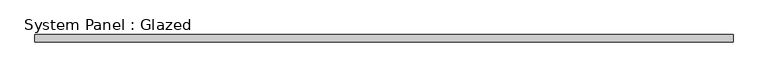
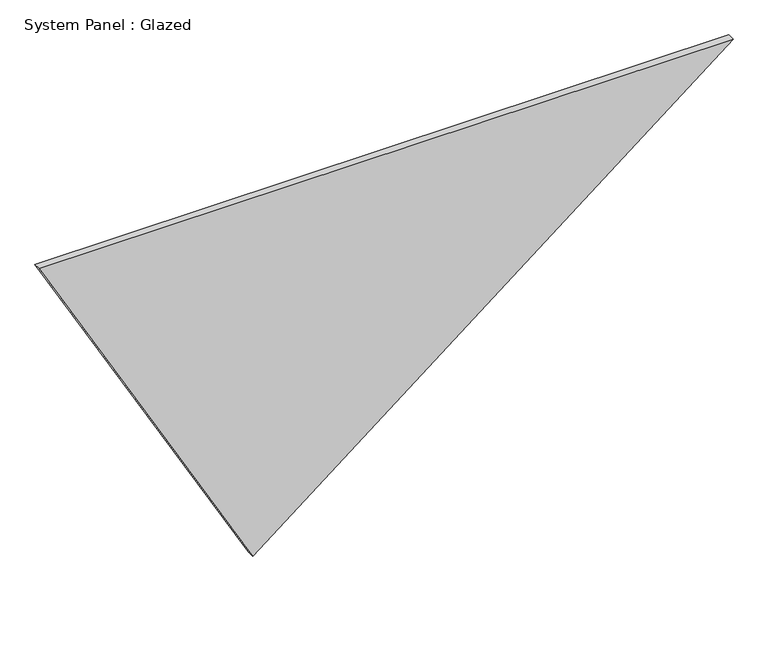
"""IFC4 building model written with IfcOpenShell, lengths in millimetres: plate geometry, System Panel : Glazed."""

import ifcopenshell
import ifcopenshell.guid

model = None  # the IFC model being written
_history = None  # IfcOwnerHistory: only IFC2X3 demands one
_inside = {}  # id of a spatial element -> (the spatial element, [elements in it])
_under = {}  # id of a project, library or spatial element -> (it, [spatial elements below it])
_declared = {}  # id of a project -> (the project, [libraries it declares])
_typed = {}  # id of a type object -> (the type object, [elements of that type])
_made_of = {}  # id of a material, layer set ... -> (it, [elements and type objects made of it])


def new_model(schema):
    """Start an empty IFC model of exactly this schema.

    Asked for "IFC4X3", IfcOpenShell would pick the latest addendum, in which some entities
    have other attributes; the version numbers below select the first issue.
    IFC2X3 requires an IfcOwnerHistory on every rooted entity: one is made here for all.
    """
    global model, _history
    if schema == "IFC4X3":
        model = ifcopenshell.file(schema_version=(4, 3, 0, 0))
    else:
        model = ifcopenshell.file(schema=schema)
    _inside.clear()
    _under.clear()
    _declared.clear()
    _typed.clear()
    _made_of.clear()
    _history = None
    if model.schema == "IFC2X3":
        org = make("IfcOrganization", Name="unknown")
        user = make(
            "IfcPersonAndOrganization",
            ThePerson=make("IfcPerson", FamilyName="unknown"),
            TheOrganization=org,
        )
        app = make(
            "IfcApplication",
            ApplicationDeveloper=org,
            Version="unknown",
            ApplicationFullName="unknown",
            ApplicationIdentifier="unknown",
        )
        _history = make(
            "IfcOwnerHistory",
            OwningUser=user,
            OwningApplication=app,
            ChangeAction="ADDED",
            CreationDate=0,
        )
    return model


def make(cls, **values):
    """One entity of the class cls with the attributes given. An attribute that is None is left unset."""
    return model.create_entity(
        cls, **{name: value for name, value in values.items() if value is not None}
    )


def rooted(cls, **values):
    """An entity with a GlobalId (a new one), such as an element, a storey or a relation."""
    return make(cls, GlobalId=ifcopenshell.guid.new(), OwnerHistory=_history, **values)


def si_unit(unit_type, name, prefix=None):
    """IfcSIUnit, for example si_unit("LENGTHUNIT", "METRE", prefix="MILLI")."""
    return make("IfcSIUnit", UnitType=unit_type, Prefix=prefix, Name=name)


def assignment(units):
    """IfcUnitAssignment: the units of a project."""
    return None if units is None else make("IfcUnitAssignment", Units=units)


def point(xyz):
    """IfcCartesianPoint."""
    return None if xyz is None else make("IfcCartesianPoint", Coordinates=xyz)


def direction(xyz):
    """IfcDirection."""
    return None if xyz is None else make("IfcDirection", DirectionRatios=xyz)


def frame(location, z_axis=None, x_axis=None):
    """IfcAxis2Placement3D, a coordinate frame: its origin and axes. An axis left out is left unset."""
    return make(
        "IfcAxis2Placement3D",
        Location=point(location),
        Axis=direction(z_axis),
        RefDirection=direction(x_axis),
    )


def origin():
    """The frame at (0, 0, 0) with its axes left unset."""
    return frame((0.0, 0.0, 0.0))


def place(relative_to, where):
    """IfcLocalPlacement: puts the frame where relative to a parent placement (None: the world)."""
    return make(
        "IfcLocalPlacement", PlacementRelTo=relative_to, RelativePlacement=where
    )


def context(
    kind, dimensions, precision=None, world=None, true_north=None, identifier=None
):
    """IfcGeometricRepresentationContext, for example the 3D "Model" context."""
    return make(
        "IfcGeometricRepresentationContext",
        ContextIdentifier=identifier,
        ContextType=kind,
        CoordinateSpaceDimension=dimensions,
        Precision=precision,
        WorldCoordinateSystem=world,
        TrueNorth=true_north,
    )


def project(units=None, contexts=None):
    """IfcProject with its units and contexts."""
    return rooted(
        "IfcProject",
        Name="project",
        RepresentationContexts=contexts,
        UnitsInContext=assignment(units),
    )


def spatial(cls, under=None, at=None, **own):
    """A site, building, storey or space (cls), placed at a placement, below another one or the project."""
    s = rooted(cls, ObjectPlacement=at, **own)
    if under is not None:
        _under.setdefault(under.id(), (under, []))[1].append(s)
    return s


def polyline(points):
    """IfcPolyline through the points."""
    return make("IfcPolyline", Points=[point(p) for p in points])


def outline(outer, holes=None, kind="AREA"):
    """IfcArbitraryClosedProfileDef: a profile drawn as a closed curve; with holes, ...WithVoids."""
    if holes is None:
        return make("IfcArbitraryClosedProfileDef", ProfileType=kind, OuterCurve=outer)
    return make(
        "IfcArbitraryProfileDefWithVoids",
        ProfileType=kind,
        OuterCurve=outer,
        InnerCurves=holes,
    )


def extrude(swept, where, along, depth):
    """IfcExtrudedAreaSolid: the profile swept, set in the frame where, extruded along a direction by depth."""
    return make(
        "IfcExtrudedAreaSolid",
        SweptArea=swept,
        Position=where,
        ExtrudedDirection=direction(along),
        Depth=depth,
    )


def shape(context_of_items, identifier, shape_type, items):
    """IfcShapeRepresentation: the items that make up one representation, for example the "Body"."""
    return make(
        "IfcShapeRepresentation",
        ContextOfItems=context_of_items,
        RepresentationIdentifier=identifier,
        RepresentationType=shape_type,
        Items=items,
    )


def source(mapping_origin, context_of_items, identifier, shape_type, items):
    """IfcRepresentationMap: a shape defined once, which mapped items show again and again."""
    return make(
        "IfcRepresentationMap",
        MappingOrigin=mapping_origin,
        MappedRepresentation=shape(context_of_items, identifier, shape_type, items),
    )


def transform(
    local_origin,
    x_axis=None,
    y_axis=None,
    z_axis=None,
    scale=None,
    scale2=None,
    scale3=None,
    uniform=True,
):
    """IfcCartesianTransformationOperator3D, or its non-uniform kind. x_axis, y_axis, z_axis: its Axis1, 2, 3."""
    if uniform:
        return make(
            "IfcCartesianTransformationOperator3D",
            Axis1=direction(x_axis),
            Axis2=direction(y_axis),
            LocalOrigin=point(local_origin),
            Scale=scale,
            Axis3=direction(z_axis),
        )
    return make(
        "IfcCartesianTransformationOperator3DnonUniform",
        Axis1=direction(x_axis),
        Axis2=direction(y_axis),
        LocalOrigin=point(local_origin),
        Scale=scale,
        Axis3=direction(z_axis),
        Scale2=scale2,
        Scale3=scale3,
    )


def mapped(mapping_source, mapping_target):
    """IfcMappedItem: shows the shape of a source again, moved by a transform."""
    return make(
        "IfcMappedItem", MappingSource=mapping_source, MappingTarget=mapping_target
    )


def made_of(thing, what):
    """Note that an element or type object is made of a material, layer set ...; save() writes the relation."""
    if what is not None:
        _made_of.setdefault(what.id(), (what, []))[1].append(thing)
    return thing


def element(
    cls,
    number,
    at=None,
    inside=None,
    cuts=None,
    type_object=None,
    material=None,
    context=None,
    identifier="Body",
    shape_type=None,
    held_by="IfcProductDefinitionShape",
    body=None,
    shapes=None,
    **own,
):
    """One element of the class cls, such as IfcWall. Its Tag is "e" and its number.

    at: its placement. inside: the storey or other place that contains it. cuts: it is an
    opening in that element (IfcRelVoidsElement). A single representation is given by context,
    identifier, shape_type and body (its items); several are given by shapes. held_by: the class
    of the entity that holds the representations. save() writes the other relations.
    """
    e = rooted(cls, Tag="e%d" % number, ObjectPlacement=at, **own)
    if body is not None:
        shapes = [shape(context, identifier, shape_type, body)]
    if shapes is not None:
        e.Representation = make(held_by, Representations=shapes)
    if inside is not None:
        _inside.setdefault(inside.id(), (inside, []))[1].append(e)
    if cuts is not None:
        rooted(
            "IfcRelVoidsElement", RelatingBuildingElement=cuts, RelatedOpeningElement=e
        )
    if type_object is not None:
        _typed.setdefault(type_object.id(), (type_object, []))[1].append(e)
    return made_of(e, material)


def aggregate(whole, parts):
    """IfcRelAggregates: a whole, such as a stair, and the parts it consists of."""
    return rooted("IfcRelAggregates", RelatingObject=whole, RelatedObjects=parts)


def save(model, path):
    """Write the relations noted so far, then the file.

    IfcRelAggregates (storeys below a building ...), IfcRelContainedInSpatialStructure (elements
    in a storey), IfcRelDefinesByType, IfcRelAssociatesMaterial and IfcRelDeclares: one each for
    every whole, place, type object, material and project.
    """
    for whole, parts in _under.values():
        aggregate(whole, parts)
    for where, things in _inside.values():
        rooted(
            "IfcRelContainedInSpatialStructure",
            RelatedElements=things,
            RelatingStructure=where,
        )
    for kind, things in _typed.values():
        rooted("IfcRelDefinesByType", RelatedObjects=things, RelatingType=kind)
    for what, things in _made_of.values():
        rooted("IfcRelAssociatesMaterial", RelatedObjects=things, RelatingMaterial=what)
    for by, libraries in _declared.values():
        rooted("IfcRelDeclares", RelatingContext=by, RelatedDefinitions=libraries)
    model.write(path)


def system_panel_glazed_3090ff12(model_context):
    return source(origin(), model_context, "Body", "SweptSolid", [
        extrude(outline(polyline([(1854.895247, -1698.348091), (0.0, -653.5108314), (1854.895247, 1698.348091), (1854.895247, -1698.348091)])), frame((0.0, -18.0, 0.0), z_axis=(0.0, 1.0, 0.0), x_axis=(0.0, 0.0, 1.0)), (0.0, 0.0, 1.0), 36.0),
    ])


if __name__ == "__main__":
    model = new_model("IFC4")
    model_context = context("Model", 3, world=origin())
    ifc_project = project(units=[si_unit("LENGTHUNIT", "METRE", prefix="MILLI")], contexts=[model_context])
    site = spatial("IfcSite", under=ifc_project)
    building = spatial("IfcBuilding", under=site)
    placement = place(None, origin())
    system_panel_glazed_shape = system_panel_glazed_3090ff12(model_context)
    element("IfcPlate", 1, ObjectType="System Panel : Glazed", at=placement, inside=building, context=model_context, shape_type="MappedRepresentation", body=[
        mapped(system_panel_glazed_shape, transform((0.0, 0.0, 0.0), x_axis=(1.0, 0.0, 0.0), y_axis=(0.0, 1.0, 0.0), z_axis=(0.0, 0.0, 1.0))),
    ])
    save(model, "model.ifc")
